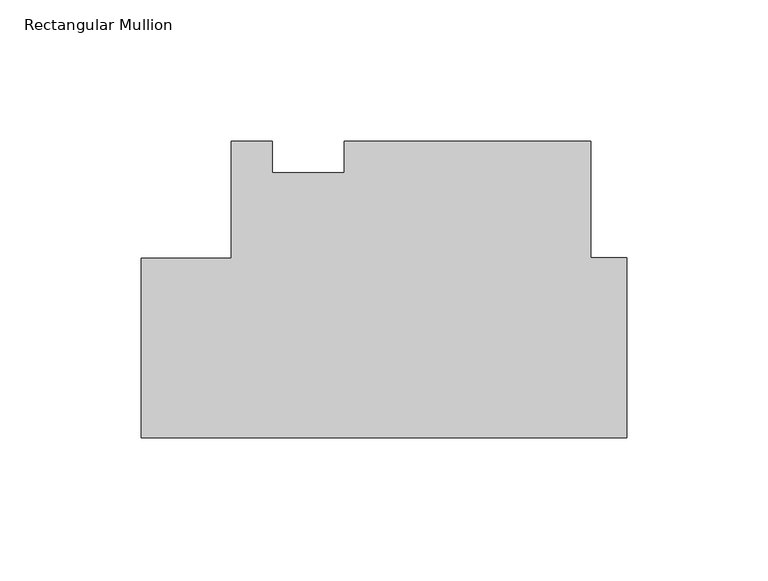
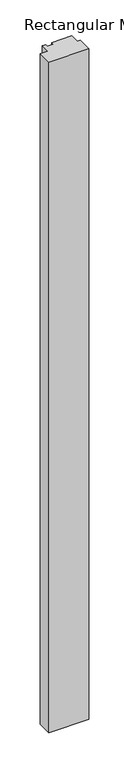
"""IFC4 building model written with IfcOpenShell, lengths in millimetres: member geometry, Rectangular Mullion."""

from ifc_helpers import new_model, si_unit, frame, origin, place, context, project, spatial, polyline, outline, extrude, source, transform, mapped, element, save


def rectangular_mullion_b50d1524(model_context):
    return source(origin(), model_context, "Body", "SweptSolid", [
        extrude(outline(polyline([(-171.4499999, 63.5254), (-139.7010309, 63.5254), (-139.7010309, 104.7749997), (-125.1975059, 104.7749997), (-125.1975059, 93.6624997), (-99.7856557, 93.6624997), (-99.7856557, 104.7749997), (-12.7010309, 104.7749997), (-12.7010309, 63.6457072), (0.0, 63.6457072), (0.0, 0.0), (-171.4499999, 0.0), (-171.4499999, 63.5254)])), frame((0.0, 0.0, -3048.0), z_axis=(0.0, 0.0, 1.0), x_axis=(1.0, 0.0, 0.0)), (0.0, 0.0, 1.0), 3048.0),
    ])


if __name__ == "__main__":
    model = new_model("IFC4")
    model_context = context("Model", 3, world=origin())
    ifc_project = project(units=[si_unit("LENGTHUNIT", "METRE", prefix="MILLI")], contexts=[model_context])
    site = spatial("IfcSite", under=ifc_project)
    building = spatial("IfcBuilding", under=site)
    placement = place(None, origin())
    rectangular_mullion_shape = rectangular_mullion_b50d1524(model_context)
    element("IfcMember", 1, ObjectType="Rectangular Mullion", at=placement, inside=building, context=model_context, shape_type="MappedRepresentation", body=[
        mapped(rectangular_mullion_shape, transform((0.0, 0.0, 0.0), x_axis=(1.0, 0.0, 0.0), y_axis=(0.0, 1.0, 0.0), z_axis=(0.0, 0.0, 1.0))),
    ])
    save(model, "model.ifc")
